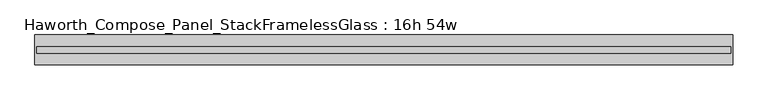
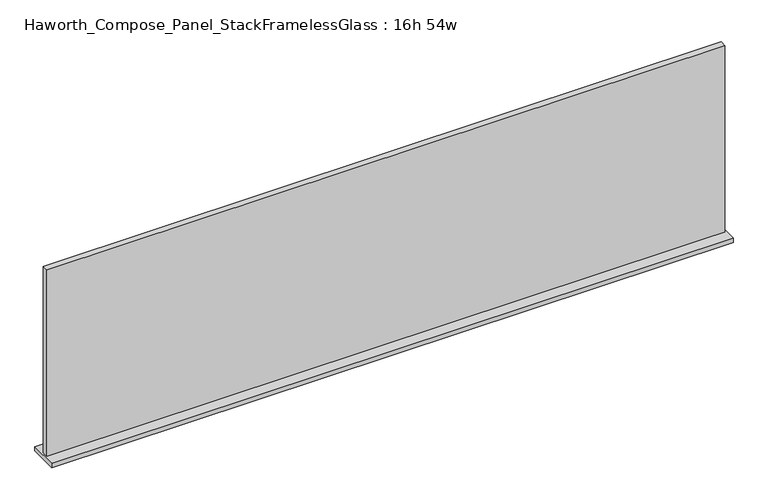
"""IFC4 building model written with IfcOpenShell, lengths in millimetres: furniture geometry, Haworth_Compose_Panel_StackFramelessGlass : 16h 54w."""

from ifc_helpers import new_model, si_unit, frame, origin, place, context, project, spatial, polyline, outline, extrude, source, transform, mapped, element, save


def haworth_compose_panel_stackframelessglass_16h_54w_8b819e06(model_context):
    return source(origin(), model_context, "Body", "SweptSolid", [
        extrude(outline(polyline([(685.0652902, -27.3093594), (-680.1847098, -27.3093594), (-680.1847098, -14.6093594), (685.0652902, -14.6093594), (685.0652902, -27.3093594)])), frame((0.0, 0.0, 1279.525), z_axis=(0.0, 0.0, 1.0), x_axis=(1.0, 0.0, 0.0)), (0.0, 0.0, 1.0), 396.875),
        extrude(outline(polyline([(-683.3597098, -50.3281094), (-683.3597098, 8.4093906), (688.2402902, 8.4093906), (688.2402902, -50.3281094), (-683.3597098, -50.3281094)])), frame((0.0, 0.0, 1270.0), z_axis=(0.0, 0.0, 1.0), x_axis=(1.0, 0.0, 0.0)), (0.0, 0.0, 1.0), 9.525),
    ])


if __name__ == "__main__":
    model = new_model("IFC4")
    model_context = context("Model", 3, world=origin())
    ifc_project = project(units=[si_unit("LENGTHUNIT", "METRE", prefix="MILLI")], contexts=[model_context])
    site = spatial("IfcSite", under=ifc_project)
    building = spatial("IfcBuilding", under=site)
    placement = place(None, origin())
    haworth_compose_panel_stackframelessglass_16h_54w_shape = haworth_compose_panel_stackframelessglass_16h_54w_8b819e06(model_context)
    element("IfcFurniture", 1, ObjectType="Haworth_Compose_Panel_StackFramelessGlass : 16h 54w", at=placement, inside=building, context=model_context, shape_type="MappedRepresentation", body=[
        mapped(haworth_compose_panel_stackframelessglass_16h_54w_shape, transform((0.0, 0.0, 0.0), x_axis=(1.0, 0.0, 0.0), y_axis=(0.0, 1.0, 0.0), z_axis=(0.0, 0.0, 1.0))),
    ])
    save(model, "model.ifc")
